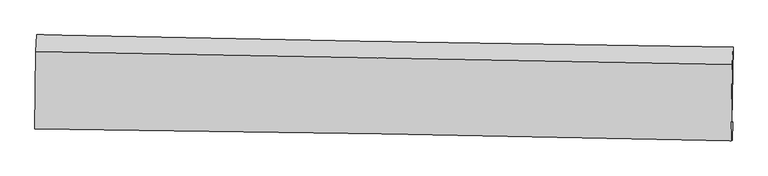
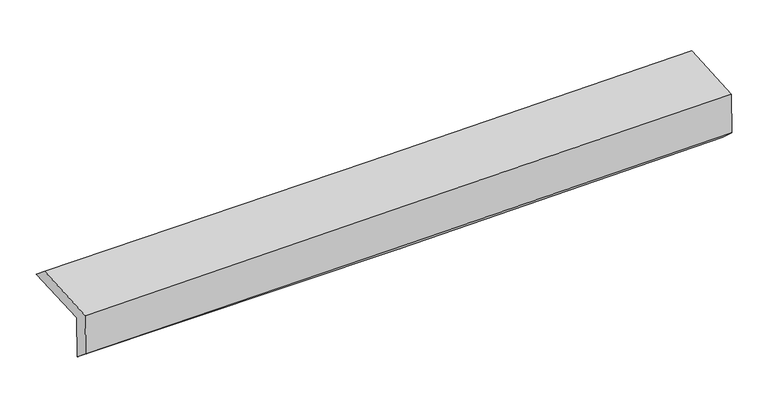
"""IFC4 building model written with IfcOpenShell, lengths in millimetres: proxy geometry."""

import ifcopenshell
import ifcopenshell.guid

model = None  # the IFC model being written
_history = None  # IfcOwnerHistory: only IFC2X3 demands one
_inside = {}  # id of a spatial element -> (the spatial element, [elements in it])
_under = {}  # id of a project, library or spatial element -> (it, [spatial elements below it])
_declared = {}  # id of a project -> (the project, [libraries it declares])
_typed = {}  # id of a type object -> (the type object, [elements of that type])
_made_of = {}  # id of a material, layer set ... -> (it, [elements and type objects made of it])


def new_model(schema):
    """Start an empty IFC model of exactly this schema.

    Asked for "IFC4X3", IfcOpenShell would pick the latest addendum, in which some entities
    have other attributes; the version numbers below select the first issue.
    IFC2X3 requires an IfcOwnerHistory on every rooted entity: one is made here for all.
    """
    global model, _history
    if schema == "IFC4X3":
        model = ifcopenshell.file(schema_version=(4, 3, 0, 0))
    else:
        model = ifcopenshell.file(schema=schema)
    _inside.clear()
    _under.clear()
    _declared.clear()
    _typed.clear()
    _made_of.clear()
    _history = None
    if model.schema == "IFC2X3":
        org = make("IfcOrganization", Name="unknown")
        user = make(
            "IfcPersonAndOrganization",
            ThePerson=make("IfcPerson", FamilyName="unknown"),
            TheOrganization=org,
        )
        app = make(
            "IfcApplication",
            ApplicationDeveloper=org,
            Version="unknown",
            ApplicationFullName="unknown",
            ApplicationIdentifier="unknown",
        )
        _history = make(
            "IfcOwnerHistory",
            OwningUser=user,
            OwningApplication=app,
            ChangeAction="ADDED",
            CreationDate=0,
        )
    return model


def make(cls, **values):
    """One entity of the class cls with the attributes given. An attribute that is None is left unset."""
    return model.create_entity(
        cls, **{name: value for name, value in values.items() if value is not None}
    )


def rooted(cls, **values):
    """An entity with a GlobalId (a new one), such as an element, a storey or a relation."""
    return make(cls, GlobalId=ifcopenshell.guid.new(), OwnerHistory=_history, **values)


def si_unit(unit_type, name, prefix=None):
    """IfcSIUnit, for example si_unit("LENGTHUNIT", "METRE", prefix="MILLI")."""
    return make("IfcSIUnit", UnitType=unit_type, Prefix=prefix, Name=name)


def assignment(units):
    """IfcUnitAssignment: the units of a project."""
    return None if units is None else make("IfcUnitAssignment", Units=units)


def point(xyz):
    """IfcCartesianPoint."""
    return None if xyz is None else make("IfcCartesianPoint", Coordinates=xyz)


def direction(xyz):
    """IfcDirection."""
    return None if xyz is None else make("IfcDirection", DirectionRatios=xyz)


def frame(location, z_axis=None, x_axis=None):
    """IfcAxis2Placement3D, a coordinate frame: its origin and axes. An axis left out is left unset."""
    return make(
        "IfcAxis2Placement3D",
        Location=point(location),
        Axis=direction(z_axis),
        RefDirection=direction(x_axis),
    )


def origin():
    """The frame at (0, 0, 0) with its axes left unset."""
    return frame((0.0, 0.0, 0.0))


def place(relative_to, where):
    """IfcLocalPlacement: puts the frame where relative to a parent placement (None: the world)."""
    return make(
        "IfcLocalPlacement", PlacementRelTo=relative_to, RelativePlacement=where
    )


def context(
    kind, dimensions, precision=None, world=None, true_north=None, identifier=None
):
    """IfcGeometricRepresentationContext, for example the 3D "Model" context."""
    return make(
        "IfcGeometricRepresentationContext",
        ContextIdentifier=identifier,
        ContextType=kind,
        CoordinateSpaceDimension=dimensions,
        Precision=precision,
        WorldCoordinateSystem=world,
        TrueNorth=true_north,
    )


def project(units=None, contexts=None):
    """IfcProject with its units and contexts."""
    return rooted(
        "IfcProject",
        Name="project",
        RepresentationContexts=contexts,
        UnitsInContext=assignment(units),
    )


def spatial(cls, under=None, at=None, **own):
    """A site, building, storey or space (cls), placed at a placement, below another one or the project."""
    s = rooted(cls, ObjectPlacement=at, **own)
    if under is not None:
        _under.setdefault(under.id(), (under, []))[1].append(s)
    return s


def shape(context_of_items, identifier, shape_type, items):
    """IfcShapeRepresentation: the items that make up one representation, for example the "Body"."""
    return make(
        "IfcShapeRepresentation",
        ContextOfItems=context_of_items,
        RepresentationIdentifier=identifier,
        RepresentationType=shape_type,
        Items=items,
    )


def source(mapping_origin, context_of_items, identifier, shape_type, items):
    """IfcRepresentationMap: a shape defined once, which mapped items show again and again."""
    return make(
        "IfcRepresentationMap",
        MappingOrigin=mapping_origin,
        MappedRepresentation=shape(context_of_items, identifier, shape_type, items),
    )


def transform(
    local_origin,
    x_axis=None,
    y_axis=None,
    z_axis=None,
    scale=None,
    scale2=None,
    scale3=None,
    uniform=True,
):
    """IfcCartesianTransformationOperator3D, or its non-uniform kind. x_axis, y_axis, z_axis: its Axis1, 2, 3."""
    if uniform:
        return make(
            "IfcCartesianTransformationOperator3D",
            Axis1=direction(x_axis),
            Axis2=direction(y_axis),
            LocalOrigin=point(local_origin),
            Scale=scale,
            Axis3=direction(z_axis),
        )
    return make(
        "IfcCartesianTransformationOperator3DnonUniform",
        Axis1=direction(x_axis),
        Axis2=direction(y_axis),
        LocalOrigin=point(local_origin),
        Scale=scale,
        Axis3=direction(z_axis),
        Scale2=scale2,
        Scale3=scale3,
    )


def mapped(mapping_source, mapping_target):
    """IfcMappedItem: shows the shape of a source again, moved by a transform."""
    return make(
        "IfcMappedItem", MappingSource=mapping_source, MappingTarget=mapping_target
    )


def made_of(thing, what):
    """Note that an element or type object is made of a material, layer set ...; save() writes the relation."""
    if what is not None:
        _made_of.setdefault(what.id(), (what, []))[1].append(thing)
    return thing


def element(
    cls,
    number,
    at=None,
    inside=None,
    cuts=None,
    type_object=None,
    material=None,
    context=None,
    identifier="Body",
    shape_type=None,
    held_by="IfcProductDefinitionShape",
    body=None,
    shapes=None,
    **own,
):
    """One element of the class cls, such as IfcWall. Its Tag is "e" and its number.

    at: its placement. inside: the storey or other place that contains it. cuts: it is an
    opening in that element (IfcRelVoidsElement). A single representation is given by context,
    identifier, shape_type and body (its items); several are given by shapes. held_by: the class
    of the entity that holds the representations. save() writes the other relations.
    """
    e = rooted(cls, Tag="e%d" % number, ObjectPlacement=at, **own)
    if body is not None:
        shapes = [shape(context, identifier, shape_type, body)]
    if shapes is not None:
        e.Representation = make(held_by, Representations=shapes)
    if inside is not None:
        _inside.setdefault(inside.id(), (inside, []))[1].append(e)
    if cuts is not None:
        rooted(
            "IfcRelVoidsElement", RelatingBuildingElement=cuts, RelatedOpeningElement=e
        )
    if type_object is not None:
        _typed.setdefault(type_object.id(), (type_object, []))[1].append(e)
    return made_of(e, material)


def aggregate(whole, parts):
    """IfcRelAggregates: a whole, such as a stair, and the parts it consists of."""
    return rooted("IfcRelAggregates", RelatingObject=whole, RelatedObjects=parts)


def save(model, path):
    """Write the relations noted so far, then the file.

    IfcRelAggregates (storeys below a building ...), IfcRelContainedInSpatialStructure (elements
    in a storey), IfcRelDefinesByType, IfcRelAssociatesMaterial and IfcRelDeclares: one each for
    every whole, place, type object, material and project.
    """
    for whole, parts in _under.values():
        aggregate(whole, parts)
    for where, things in _inside.values():
        rooted(
            "IfcRelContainedInSpatialStructure",
            RelatedElements=things,
            RelatingStructure=where,
        )
    for kind, things in _typed.values():
        rooted("IfcRelDefinesByType", RelatedObjects=things, RelatingType=kind)
    for what, things in _made_of.values():
        rooted("IfcRelAssociatesMaterial", RelatedObjects=things, RelatingMaterial=what)
    for by, libraries in _declared.values():
        rooted("IfcRelDeclares", RelatingContext=by, RelatedDefinitions=libraries)
    model.write(path)


def plane_surface(at):
    """IfcPlane: the flat surface through the origin of the frame at, square to its z axis."""
    return make("IfcPlane", Position=at)


def spline_curve(degree, points, multiplicities, knots, weights=None):
    """IfcBSplineCurveWithKnots; with weights, IfcRationalBSplineCurveWithKnots."""
    own = dict(
        Degree=degree,
        ControlPointsList=[point(p) for p in points],
        CurveForm="UNSPECIFIED",
        ClosedCurve=False,
        SelfIntersect=False,
        KnotMultiplicities=multiplicities,
        Knots=knots,
        KnotSpec="UNSPECIFIED",
    )
    if weights is None:
        return make("IfcBSplineCurveWithKnots", **own)
    return make("IfcRationalBSplineCurveWithKnots", WeightsData=weights, **own)


def spline_surface(u_degree, v_degree, points, u_multiplicities, v_multiplicities, u_knots, v_knots, weights=None):
    """IfcBSplineSurfaceWithKnots; with weights, IfcRationalBSplineSurfaceWithKnots. points: one row for each step in u."""
    own = dict(
        UDegree=u_degree,
        VDegree=v_degree,
        ControlPointsList=[[point(p) for p in row] for row in points],
        SurfaceForm="UNSPECIFIED",
        UClosed=False,
        VClosed=False,
        SelfIntersect=False,
        UMultiplicities=u_multiplicities,
        VMultiplicities=v_multiplicities,
        UKnots=u_knots,
        VKnots=v_knots,
        KnotSpec="UNSPECIFIED",
    )
    if weights is None:
        return make("IfcBSplineSurfaceWithKnots", **own)
    return make("IfcRationalBSplineSurfaceWithKnots", WeightsData=weights, **own)


def advanced_brep(points, edges, surfaces, faces):
    """IfcAdvancedBrep: a solid bounded by faces that lie on surfaces and meet in shared edges.

    An edge is (start, end): straight between two places in points (the first is 0);
    or (start, end, curve); or (start, end, curve, False) where it runs against its curve.
    A face is (place in surfaces, loops), or (place, loops, False) where it looks against
    its surface's normal. A loop lists edges by number (the first is 1), with a minus sign
    where the edge is run from its end to its start. The first loop is the outer one.
    """
    corners = [point(p) for p in points]
    vertices = [make("IfcVertexPoint", VertexGeometry=c) for c in corners]
    made = []
    for start, end, *more in edges:
        made.append(
            make(
                "IfcEdgeCurve",
                EdgeStart=vertices[start],
                EdgeEnd=vertices[end],
                EdgeGeometry=more[0] if more else make("IfcPolyline", Points=[corners[start], corners[end]]),
                SameSense=more[1] if len(more) > 1 else True,
            )
        )
    hull = []
    for where, loops, *sense in faces:
        bounds = []
        for j, loop in enumerate(loops):
            ring = [make("IfcOrientedEdge", EdgeElement=made[abs(k) - 1], Orientation=k > 0) for k in loop]
            bounds.append(
                make(
                    "IfcFaceOuterBound" if j == 0 else "IfcFaceBound",
                    Bound=make("IfcEdgeLoop", EdgeList=ring),
                    Orientation=True,
                )
            )
        hull.append(make("IfcAdvancedFace", Bounds=bounds, FaceSurface=surfaces[where], SameSense=sense[0] if sense else True))
    return make("IfcAdvancedBrep", Outer=make("IfcClosedShell", CfsFaces=hull))


def generic_models_80ba80aa(model_context):
    return source(origin(), model_context, "Body", "AdvancedBrep", [
        advanced_brep(
        [(-3021.7284974, -1758.1505085, 1966.4649984), (-3012.0113175, -1083.2514809, 1983.2295827), (3010.2023145, -1188.3727419, 2108.4701288), (2998.6307082, -1848.177695, 2097.2902116), (-3011.5500994, -1746.5897309, 1567.4151454), (3008.8032427, -1836.7495952, 1698.5906701), (-3016.8095717, -1893.5054971, 1689.174776), (3002.3742254, -1998.4073722, 1839.609718), (-3026.5543318, -1899.6606432, 2074.167137), (2992.5081595, -2004.6454444, 2229.7791582), (-3017.1463283, -1227.3966117, 2101.6848755), (3003.7146957, -1342.9590764, 2256.9139574)],
        [
            (0, 1),
            (1, 2, spline_curve(3, [(-3012.0113175, -1083.2514809, 1983.2295827), (-2008.34735243, -1104.42009025, 2004.928670366), (-1004.646801965, -1123.764740699, 2026.215274611), (1002.757747324, -1158.804907868, 2067.962065817), (2006.461740633, -1174.500677413, 2088.422310318), (3010.2023145, -1188.3727419, 2108.4701288)], [4, 2, 4], [0.0, 9.88134420148744, 19.76200201862554])),
            (2, 3),
            (3, 0, spline_curve(3, [(2998.6307082, -1848.177695, 2097.2902116), (1995.533560794, -1831.519631161, 2065.254408034), (992.305816707, -1815.688565411, 2038.334606226), (-1014.480567278, -1785.679388295, 1994.725490719), (-2018.039224561, -1771.501391924, 1978.036888422), (-3021.7284974, -1758.1505085, 1966.4649984)], [4, 2, 4], [0.0, 9.8806578171381, 19.76200201862554])),
            (4, 0),
            (3, 5),
            (5, 4, spline_curve(3, [(3008.8032427, -1836.7495952, 1698.5906701), (2005.797530575, -1819.926790383, 1662.982135196), (1002.61599377, -1804.002295645, 1634.246715194), (-1004.168428872, -1773.948882724, 1590.520585087), (-2007.771339756, -1759.820089382, 1575.530830632), (-3011.5500994, -1746.5897309, 1567.4151454)], [4, 2, 4], [0.0, 9.879191805368912, 19.759069893247027])),
            (6, 4),
            (5, 7),
            (7, 6, spline_curve(3, [(3002.3742254, -1998.4073722, 1839.609718), (1999.473473375, -1974.334930169, 1807.626138165), (996.441873797, -1953.557075526, 1779.09841834), (-1009.952706959, -1918.589325956, 1728.952957182), (-2013.315706677, -1904.399889158, 1707.335696384), (-3016.8095717, -1893.5054971, 1689.174776)], [4, 2, 4], [0.0, 9.878753724300289, 19.758193700677396])),
            (8, 6),
            (7, 9),
            (9, 8, spline_curve(3, [(2992.5081595, -2004.6454444, 2229.7791582), (1989.500529198, -1980.639557979, 2201.960118648), (986.425597063, -1959.888072239, 2175.08334777), (-1019.928557421, -1924.892686083, 2123.212543426), (-2023.207789047, -1910.649238326, 2098.218640145), (-3026.5543318, -1899.6606432, 2074.167137)], [4, 2, 4], [0.0, 9.87832710489106, 19.757340432222765])),
            (10, 8),
            (9, 11),
            (11, 10, spline_curve(3, [(3003.7146957, -1342.9590764, 2256.9139574), (2000.33115174, -1323.893899939, 2228.884787084), (996.918388459, -1304.731444292, 2201.934856869), (-1010.035281839, -1266.210635983, 2150.191679359), (-2013.576193621, -1246.852270237, 2125.398582565), (-3017.1463283, -1227.3966117, 2101.6848755)], [4, 2, 4], [0.0, 9.879889225376845, 19.7604647817109])),
            (1, 10),
            (11, 2),
        ],
        [
            spline_surface(3, 3, [[(-3021.7284974, -1758.1505085, 1966.4649984), (-2018.03922463, -1771.501391777, 1978.036888393), (-1014.480567155, -1785.679388325, 1994.725490854), (992.305816584, -1815.688565381, 2038.334606091), (1995.533560941, -1831.519631027, 2065.25440799), (2998.6307082, -1848.177695, 2097.2902116)], [(-3018.489437426, -1533.18416595, 1972.053193177), (-2014.808600521, -1549.140957893, 1987.000815716), (-1011.202645409, -1565.041172494, 2005.222085408), (995.789793447, -1596.727346185, 2048.210426033), (1999.176287543, -1612.513313175, 2072.977042131), (3002.487910299, -1628.242710642, 2101.016850664)], [(-3015.250377474, -1308.21782345, 1977.641387923), (-2011.577976433, -1326.78052406, 1995.964743009), (-1007.924723612, -1344.402956634, 2015.718679959), (999.273770362, -1377.766126959, 2058.086245974), (2002.819014148, -1393.506995298, 2080.699676282), (3006.345112401, -1408.307726258, 2104.743489736)], [(-3012.0113175, -1083.2514809, 1983.2295827), (-2008.347352323, -1104.420090176, 2004.928670332), (-1004.646801866, -1123.764740803, 2026.215274512), (1002.757747225, -1158.804907763, 2067.962065916), (2006.46174075, -1174.500677446, 2088.422310423), (3010.2023145, -1188.3727419, 2108.4701288)]], [4, 4], [4, 2, 4], [0.0, 2.1659611589820864], [0.0, 9.88134420148744, 19.76200201862554]),
            spline_surface(3, 3, [[(-3011.5500994, -1746.5897309, 1567.4151454), (-2007.771339746, -1759.820089369, 1575.530830487), (-1004.168429023, -1773.948882714, 1590.520585219), (1002.615993921, -1804.002295655, 1634.246715062), (2005.797530552, -1819.92679035, 1662.982135241), (3008.8032427, -1836.7495952, 1698.5906701)], [(-3014.942898723, -1750.443323465, 1700.43176304), (-2011.19396803, -1763.71385687, 1709.699516429), (-1007.605808383, -1777.85905123, 1725.255553756), (999.179268159, -1807.897718877, 1768.94267873), (2002.376207369, -1823.791070563, 1797.072892823), (3005.412397888, -1840.558961787, 1831.490517265)], [(-3018.335698077, -1754.296915935, 1833.44838076), (-2014.616596346, -1767.607624277, 1843.868202451), (-1011.043187795, -1781.769219808, 1859.990522317), (995.742542346, -1811.793142159, 1903.638642422), (1998.954884123, -1827.655350814, 1931.163650408), (3002.021553012, -1844.368328413, 1964.390364435)], [(-3021.7284974, -1758.1505085, 1966.4649984), (-2018.03922463, -1771.501391777, 1978.036888393), (-1014.480567155, -1785.679388325, 1994.725490854), (992.305816584, -1815.688565381, 2038.334606091), (1995.533560941, -1831.519631027, 2065.25440799), (2998.6307082, -1848.177695, 2097.2902116)]], [4, 4], [4, 2, 4], [0.0, 1.3269272526766138], [0.0, 9.879878087878115, 19.759069893247027]),
            spline_surface(3, 3, [[(-3016.8095717, -1893.5054971, 1689.174776), (-2013.31570654, -1904.399889108, 1707.335696532), (-1009.952707012, -1918.589326014, 1728.952957342), (996.44187385, -1953.557075467, 1779.098418179), (1999.473473338, -1974.334930254, 1807.626138008), (3002.3742254, -1998.4073722, 1839.609718)], [(-3015.056414266, -1844.533575031, 1648.588232492), (-2011.467584275, -1856.206622527, 1663.400741209), (-1008.024614363, -1870.37584491, 1682.808833283), (998.49991386, -1903.705482192, 1730.814517122), (2001.581492408, -1922.86555031, 1759.411470426), (3004.517231165, -1944.521446558, 1792.603368707)], [(-3013.303256834, -1795.561652969, 1608.001688908), (-2009.619462011, -1808.013355951, 1619.465785809), (-1006.096521672, -1822.162363818, 1636.664709278), (1000.557953911, -1853.85388893, 1682.530616119), (2003.689511482, -1871.396170293, 1711.196802823), (3006.660236935, -1890.635520842, 1745.597019393)], [(-3011.5500994, -1746.5897309, 1567.4151454), (-2007.771339746, -1759.820089369, 1575.530830487), (-1004.168429023, -1773.948882714, 1590.520585219), (1002.615993921, -1804.002295655, 1634.246715062), (2005.797530552, -1819.92679035, 1662.982135241), (3008.8032427, -1836.7495952, 1698.5906701)]], [4, 4], [4, 2, 4], [0.0, 0.6702540828612971], [0.0, 9.879439976377107, 19.758193700677396]),
            spline_surface(3, 3, [[(-3026.5543318, -1899.6606432, 2074.167137), (-2023.207788931, -1910.649238306, 2098.218640154), (-1019.928557389, -1924.892686198, 2123.212543269), (986.425597031, -1959.888072124, 2175.083347926), (1989.500529248, -1980.639557911, 2201.960118534), (2992.5081595, -2004.6454444, 2229.7791582)], [(-3023.306078457, -1897.608927832, 1945.836349983), (-2019.910428157, -1908.566121905, 1967.924325597), (-1016.603273913, -1922.791566162, 1991.792681296), (989.764355988, -1957.77773993, 2043.088371346), (1992.824843926, -1978.538015333, 2070.515458351), (2995.796848115, -2002.566086975, 2099.722678125)], [(-3020.057825043, -1895.557212468, 1817.505563017), (-2016.613067314, -1906.483005509, 1837.630011089), (-1013.277990488, -1920.69044605, 1860.372819316), (993.103114893, -1955.667407661, 1911.093394759), (1996.14915866, -1976.436472831, 1939.070798192), (2999.085536785, -2000.486729625, 1969.666198075)], [(-3016.8095717, -1893.5054971, 1689.174776), (-2013.31570654, -1904.399889108, 1707.335696532), (-1009.952707012, -1918.589326014, 1728.952957342), (996.44187385, -1953.557075467, 1779.098418179), (1999.473473338, -1974.334930254, 1807.626138008), (3002.3742254, -1998.4073722, 1839.609718)]], [4, 4], [4, 2, 4], [0.0, 1.2969130610601205], [0.0, 9.879013327331705, 19.757340432222765]),
            spline_surface(3, 3, [[(-3017.1463283, -1227.3966117, 2101.6848755), (-2013.576193602, -1246.852270356, 2125.39858241), (-1010.035281991, -1266.210636109, 2150.191679492), (996.91838861, -1304.731444166, 2201.934856737), (2000.331151677, -1323.893899966, 2228.884786964), (3003.7146957, -1342.9590764, 2256.9139574)], [(-3020.28232945, -1451.484622202, 2092.512295988), (-2016.786725362, -1468.117926341, 2116.338601646), (-1013.333040473, -1485.771319454, 2141.198634089), (993.420791401, -1523.116986801, 2192.984353805), (1996.720944227, -1542.809119303, 2219.909897485), (2999.979183659, -1563.521199089, 2247.869024331)], [(-3023.41833065, -1675.572632698, 2083.339716512), (-2019.997257171, -1689.38358232, 2107.278620918), (-1016.630798907, -1705.332002852, 2132.205588672), (989.92319424, -1741.502529489, 2184.033850858), (1993.110736699, -1761.724338573, 2210.935008013), (2996.243671541, -1784.083321711, 2238.824091269)], [(-3026.5543318, -1899.6606432, 2074.167137), (-2023.207788931, -1910.649238306, 2098.218640154), (-1019.928557389, -1924.892686198, 2123.212543269), (986.425597031, -1959.888072124, 2175.083347926), (1989.500529248, -1980.639557911, 2201.960118534), (2992.5081595, -2004.6454444, 2229.7791582)]], [4, 4], [4, 2, 4], [0.0, 2.157315047139997], [0.0, 9.880575556334056, 19.7604647817109]),
            spline_surface(3, 3, [[(-3012.0113175, -1083.2514809, 1983.2295827), (-2008.347352323, -1104.420090176, 2004.928670332), (-1004.646801866, -1123.764740803, 2026.215274512), (1002.757747225, -1158.804907763, 2067.962065916), (2006.46174075, -1174.500677446, 2088.422310423), (3010.2023145, -1188.3727419, 2108.4701288)], [(-3013.722987778, -1131.29985782, 2022.714680319), (-2010.090299427, -1151.897483556, 2045.085307711), (-1006.442961896, -1171.246705912, 2067.540742857), (1000.811294365, -1207.447086571, 2112.619662875), (2004.418211033, -1224.298418268, 2135.243135945), (3008.039774874, -1239.901520049, 2157.951405008)], [(-3015.434658022, -1179.34823478, 2062.199777881), (-2011.833246498, -1199.374876976, 2085.241945031), (-1008.239121961, -1218.728671, 2108.866211147), (998.86484147, -1256.089265358, 2157.277259778), (2002.374681394, -1274.096159144, 2182.063961442), (3005.877235326, -1291.430298251, 2207.432681192)], [(-3017.1463283, -1227.3966117, 2101.6848755), (-2013.576193602, -1246.852270356, 2125.39858241), (-1010.035281991, -1266.210636109, 2150.191679492), (996.91838861, -1304.731444166, 2201.934856737), (2000.331151677, -1323.893899966, 2228.884786964), (3003.7146957, -1342.9590764, 2256.9139574)]], [4, 4], [4, 2, 4], [0.0, 0.6349548658996322], [0.0, 9.882534400864818, 19.764382334705896]),
            plane_surface(frame((3002.7055577, -1703.2186542, 2038.4423074), z_axis=(0.9995265422063746, -0.017953013243733638, 0.024987611739405054), x_axis=(0.025275310066961713, 0.01598096074393432, -0.9995527837961935))),
            plane_surface(frame((-3017.6333577, -1601.4257454, 1897.0227525), z_axis=(-0.9995731738652998, 0.01501434213221522, -0.025060718648676514), x_axis=(-0.0143920451742764, -0.9995880875889905, -0.024829905072033892))),
        ],
        [
            (0, [[1, 2, 3, 4]]),
            (1, [[5, -4, 6, 7]]),
            (2, [[8, -7, 9, 10]]),
            (3, [[11, -10, 12, 13]]),
            (4, [[14, -13, 15, 16]]),
            (5, [[17, -16, 18, -2]]),
            (6, [[-12, -9, -6, -3, -18, -15]]),
            (7, [[-1, -5, -8, -11, -14, -17]]),
        ],
    ),
    ])


if __name__ == "__main__":
    model = new_model("IFC4")
    model_context = context("Model", 3, world=origin())
    ifc_project = project(units=[si_unit("LENGTHUNIT", "METRE", prefix="MILLI")], contexts=[model_context])
    site = spatial("IfcSite", under=ifc_project)
    building = spatial("IfcBuilding", under=site)
    placement = place(None, origin())
    generic_models_shape = generic_models_80ba80aa(model_context)
    element("IfcBuildingElementProxy", 1, Name="Generic Models", at=placement, inside=building, context=model_context, shape_type="MappedRepresentation", body=[
        mapped(generic_models_shape, transform((0.0, 0.0, 0.0), x_axis=(1.0, 0.0, 0.0), y_axis=(0.0, 1.0, 0.0), z_axis=(0.0, 0.0, 1.0))),
    ])
    save(model, "model.ifc")
